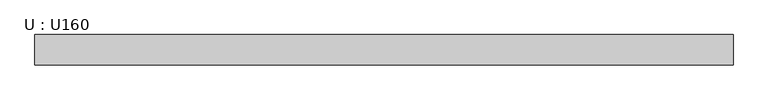
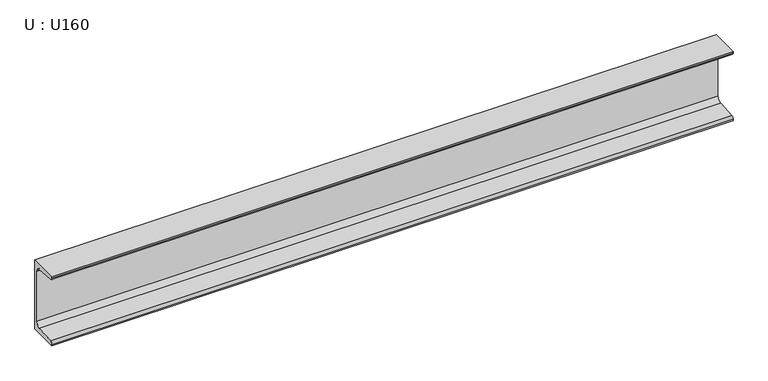
"""IFC4 building model written with IfcOpenShell, lengths in millimetres: beam geometry, U : U160."""

from ifc_helpers import new_model, si_unit, point, frame, frame_2d, origin, place, context, project, spatial, polyline, circle_curve, trimmed, segment, composite_curve, outline, extrude, source, transform, mapped, element, save


def u_u160_ea82c106(model_context):
    return source(origin(), model_context, "Body", "SweptSolid", [
        extrude(outline(composite_curve([segment(polyline([(18.4, 80.0), (18.4, -80.0), (-46.6, -80.0), (-46.6, -77.1756821)]), True, "CONTINUOUS"), segment(trimmed(circle_curve(frame_2d((-41.1, -77.1756821)), 5.5), [point((-46.6, -77.1756821))], [point((-41.5382235, -71.693168))], False, "CARTESIAN"), True, "CONTINUOUS"), segment(polyline([(-41.5382235, -71.693168), (1.2366085, -68.2741277)]), True, "CONTINUOUS"), segment(trimmed(circle_curve(frame_2d((0.4, -57.8075099)), 10.5), [point((1.2366085, -68.2741277))], [point((10.9, -57.8075099))], True, "CARTESIAN"), True, "CONTINUOUS"), segment(polyline([(10.9, -57.8075099), (10.9, 57.8075099)]), True, "CONTINUOUS"), segment(trimmed(circle_curve(frame_2d((0.4, 57.8075099)), 10.5), [point((10.9, 57.8075099))], [point((1.2366085, 68.2741277))], True, "CARTESIAN"), True, "CONTINUOUS"), segment(polyline([(1.2366085, 68.2741277), (-41.5382235, 71.693168)]), True, "CONTINUOUS"), segment(trimmed(circle_curve(frame_2d((-41.1, 77.1756821)), 5.5), [point((-41.5382235, 71.693168))], [point((-46.6, 77.1756821))], False, "CARTESIAN"), True, "CONTINUOUS"), segment(polyline([(-46.6, 77.1756821), (-46.6, 80.0), (18.4, 80.0)]), True, "CONTINUOUS")], self_intersect=False)), frame((-745.0990762, 0.0, 0.0), z_axis=(1.0, 0.0, 0.0), x_axis=(0.0, 1.0, 0.0)), (0.0, 0.0, 1.0), 1497.9999939),
    ])


if __name__ == "__main__":
    model = new_model("IFC4")
    model_context = context("Model", 3, world=origin())
    ifc_project = project(units=[si_unit("LENGTHUNIT", "METRE", prefix="MILLI")], contexts=[model_context])
    site = spatial("IfcSite", under=ifc_project)
    building = spatial("IfcBuilding", under=site)
    placement = place(None, origin())
    u_u160_shape = u_u160_ea82c106(model_context)
    element("IfcBeam", 1, ObjectType="U : U160", at=placement, inside=building, context=model_context, shape_type="MappedRepresentation", body=[
        mapped(u_u160_shape, transform((0.0, 0.0, 0.0), x_axis=(1.0, 0.0, 0.0), y_axis=(0.0, 1.0, 0.0), z_axis=(0.0, 0.0, 1.0))),
    ])
    save(model, "model.ifc")
